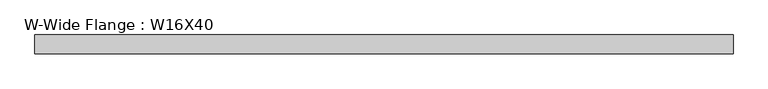
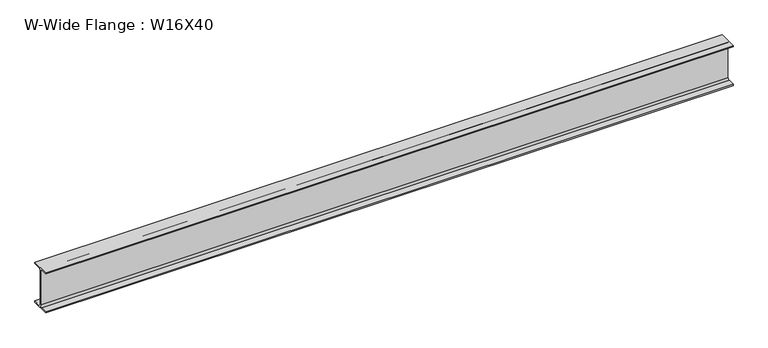
"""IFC4 building model written with IfcOpenShell, lengths in millimetres: beam geometry, W-Wide Flange : W16X40."""

from ifc_helpers import new_model, si_unit, point, frame, frame_2d, origin, place, context, project, spatial, polyline, circle_curve, trimmed, segment, composite_curve, outline, extrude, source, transform, mapped, element, save


def w_wide_flange_w16x40_c8751fb1(model_context):
    return source(origin(), model_context, "Body", "SweptSolid", [
        extrude(outline(composite_curve([segment(polyline([(88.9, -190.4), (88.9, -203.2), (-88.9, -203.2), (-88.9, -190.4), (-21.25, -190.4)]), True, "CONTINUOUS"), segment(trimmed(circle_curve(frame_2d((-21.25, -173.0)), 17.4), [point((-21.25, -190.4))], [point((-3.85, -173.0))], True, "CARTESIAN"), True, "CONTINUOUS"), segment(polyline([(-3.85, -173.0), (-3.85, 173.0)]), True, "CONTINUOUS"), segment(trimmed(circle_curve(frame_2d((-21.25, 173.0)), 17.4), [point((-3.85, 173.0))], [point((-21.25, 190.4))], True, "CARTESIAN"), True, "CONTINUOUS"), segment(polyline([(-21.25, 190.4), (-88.9, 190.4), (-88.9, 203.2), (88.9, 203.2), (88.9, 190.4), (21.25, 190.4)]), True, "CONTINUOUS"), segment(trimmed(circle_curve(frame_2d((21.25, 173.0)), 17.4), [point((21.25, 190.4))], [point((3.85, 173.0))], True, "CARTESIAN"), True, "CONTINUOUS"), segment(polyline([(3.85, 173.0), (3.85, -173.0)]), True, "CONTINUOUS"), segment(trimmed(circle_curve(frame_2d((21.25, -173.0)), 17.4), [point((3.85, -173.0))], [point((21.25, -190.4))], True, "CARTESIAN"), True, "CONTINUOUS"), segment(polyline([(21.25, -190.4), (88.9, -190.4)]), True, "CONTINUOUS")], self_intersect=False)), frame((-3236.7526772, 0.0, 0.0), z_axis=(1.0, 0.0, 0.0), x_axis=(0.0, 1.0, 0.0)), (0.0, 0.0, 1.0), 6575.112341),
    ])


if __name__ == "__main__":
    model = new_model("IFC4")
    model_context = context("Model", 3, world=origin())
    ifc_project = project(units=[si_unit("LENGTHUNIT", "METRE", prefix="MILLI")], contexts=[model_context])
    site = spatial("IfcSite", under=ifc_project)
    building = spatial("IfcBuilding", under=site)
    placement = place(None, origin())
    w_wide_flange_w16x40_shape = w_wide_flange_w16x40_c8751fb1(model_context)
    element("IfcBeam", 1, ObjectType="W-Wide Flange : W16X40", at=placement, inside=building, context=model_context, shape_type="MappedRepresentation", body=[
        mapped(w_wide_flange_w16x40_shape, transform((0.0, 0.0, 0.0), x_axis=(1.0, 0.0, 0.0), y_axis=(0.0, 1.0, 0.0), z_axis=(0.0, 0.0, 1.0))),
    ])
    save(model, "model.ifc")
